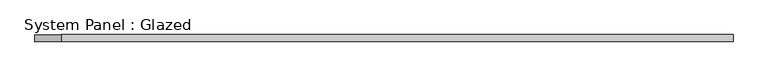
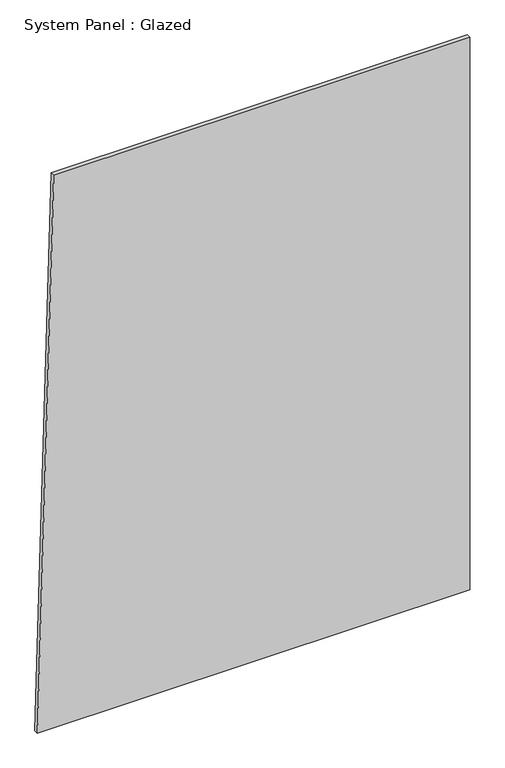
"""IFC4 building model written with IfcOpenShell, lengths in millimetres: plate geometry, System Panel : Glazed."""

from ifc_helpers import new_model, si_unit, frame, origin, place, context, project, spatial, polyline, outline, extrude, source, transform, mapped, element, save


def system_panel_glazed_a8ad5830(model_context):
    return source(origin(), model_context, "Body", "SweptSolid", [
        extrude(outline(polyline([(0.0, -1236.6124462), (0.0, 1236.6124462), (3339.9757421, 1236.6124462), (3339.9757421, -1143.6136873), (0.0, -1236.6124462)])), frame((0.0, -49.5, 0.0), z_axis=(0.0, 1.0, 0.0), x_axis=(0.0, 0.0, 1.0)), (0.0, 0.0, 1.0), 25.0),
    ])


if __name__ == "__main__":
    model = new_model("IFC4")
    model_context = context("Model", 3, world=origin())
    ifc_project = project(units=[si_unit("LENGTHUNIT", "METRE", prefix="MILLI")], contexts=[model_context])
    site = spatial("IfcSite", under=ifc_project)
    building = spatial("IfcBuilding", under=site)
    placement = place(None, origin())
    system_panel_glazed_shape = system_panel_glazed_a8ad5830(model_context)
    element("IfcPlate", 1, ObjectType="System Panel : Glazed", at=placement, inside=building, context=model_context, shape_type="MappedRepresentation", body=[
        mapped(system_panel_glazed_shape, transform((0.0, 0.0, 0.0), x_axis=(1.0, 0.0, 0.0), y_axis=(0.0, 1.0, 0.0), z_axis=(0.0, 0.0, 1.0))),
    ])
    save(model, "model.ifc")
